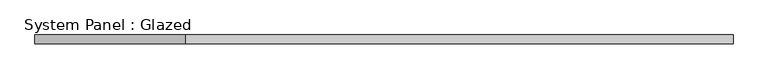
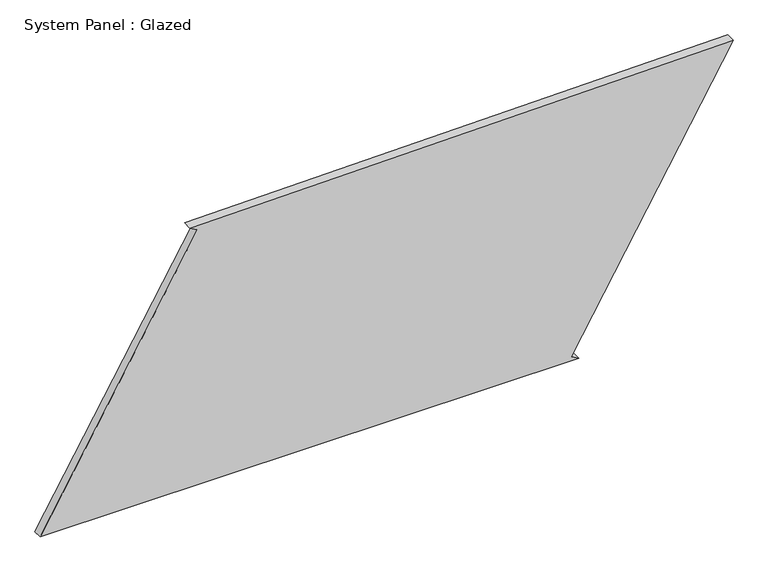
"""IFC4 building model written with IfcOpenShell, lengths in millimetres: plate geometry, System Panel : Glazed."""

from ifc_helpers import new_model, si_unit, frame, origin, place, context, project, spatial, polyline, outline, extrude, source, transform, mapped, element, save


def system_panel_glazed_cfb25628(model_context):
    return source(origin(), model_context, "Body", "SweptSolid", [
        extrude(outline(polyline([(0.0, -972.4541407), (0.0, 539.7216321), (12.5753731, 518.1146889), (793.2191493, 972.4541407), (769.3108971, -552.4853641), (756.7109988, -530.8927135), (0.0, -972.4541407)])), frame((0.0, -49.5, 0.0), z_axis=(0.0, 1.0, 0.0), x_axis=(0.0, 0.0, 1.0)), (0.0, 0.0, 1.0), 25.0),
    ])


if __name__ == "__main__":
    model = new_model("IFC4")
    model_context = context("Model", 3, world=origin())
    ifc_project = project(units=[si_unit("LENGTHUNIT", "METRE", prefix="MILLI")], contexts=[model_context])
    site = spatial("IfcSite", under=ifc_project)
    building = spatial("IfcBuilding", under=site)
    placement = place(None, origin())
    system_panel_glazed_shape = system_panel_glazed_cfb25628(model_context)
    element("IfcPlate", 1, ObjectType="System Panel : Glazed", at=placement, inside=building, context=model_context, shape_type="MappedRepresentation", body=[
        mapped(system_panel_glazed_shape, transform((0.0, 0.0, 0.0), x_axis=(1.0, 0.0, 0.0), y_axis=(0.0, 1.0, 0.0), z_axis=(0.0, 0.0, 1.0))),
    ])
    save(model, "model.ifc")
